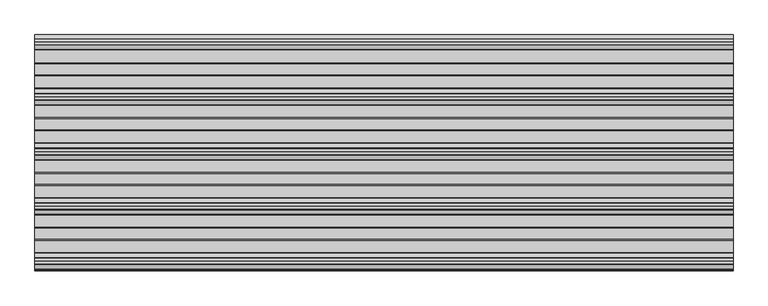
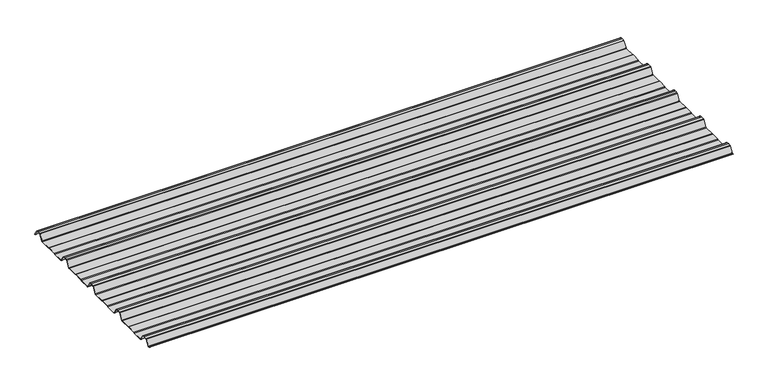
"""IFC4 building model written with IfcOpenShell, lengths in millimetres: beam geometry."""

from ifc_helpers import new_model, si_unit, point, frame, frame_2d, origin, place, context, project, spatial, polyline, circle_curve, trimmed, segment, composite_curve, outline, extrude, source, transform, mapped, element, save


def beam_935f3c2a(model_context):
    return source(origin(), model_context, "Body", "SweptSolid", [
        extrude(outline(composite_curve([segment(polyline([(-72.2377386, -25.7896475), (-76.3538889, -24.06703), (-113.6461111, -24.06703), (-117.7622614, -25.7896475), (-160.0, -25.7896475)]), True, "CONTINUOUS"), segment(trimmed(circle_curve(frame_2d((-159.2196788, -21.4509358)), 4.4083239), [point((-160.0, -25.7896475))], [point((-162.8209858, -23.9933574))], False, "CARTESIAN"), True, "CONTINUOUS"), segment(polyline([(-162.8209858, -23.9933574), (-178.3273257, -0.5940367)]), True, "CONTINUOUS"), segment(trimmed(circle_curve(frame_2d((-180.8929255, -2.3855242)), 3.1291741), [point((-178.3273257, -0.5940367))], [point((-179.9028031, 0.582874))], True, "CARTESIAN"), True, "CONTINUOUS"), segment(trimmed(circle_curve(frame_2d((-189.9940851, -29.8891871)), 32.0995402), [point((-179.9028031, 0.582874))], [point((-190.0, 2.2103525))], True, "CARTESIAN"), True, "CONTINUOUS"), segment(trimmed(circle_curve(frame_2d((-190.0059149, -29.8891871)), 32.0995402), [point((-190.0, 2.2103525))], [point((-200.0971969, 0.582874))], True, "CARTESIAN"), True, "CONTINUOUS"), segment(trimmed(circle_curve(frame_2d((-199.1070745, -2.3855242)), 3.1291741), [point((-200.0971969, 0.582874))], [point((-201.6726743, -0.5940367))], True, "CARTESIAN"), True, "CONTINUOUS"), segment(polyline([(-201.6726743, -0.5940367), (-217.1790142, -23.9933574)]), True, "CONTINUOUS"), segment(trimmed(circle_curve(frame_2d((-220.7803212, -21.4509358)), 4.4083239), [point((-217.1790142, -23.9933574))], [point((-220.0, -25.7896475))], False, "CARTESIAN"), True, "CONTINUOUS"), segment(polyline([(-220.0, -25.7896475), (-262.2377386, -25.7896475), (-266.3538889, -24.06703), (-303.6461111, -24.06703), (-307.7622614, -25.7896475), (-350.0, -25.7896475)]), True, "CONTINUOUS"), segment(trimmed(circle_curve(frame_2d((-349.2196788, -21.4509358)), 4.4083239), [point((-350.0, -25.7896475))], [point((-352.8209858, -23.9933574))], False, "CARTESIAN"), True, "CONTINUOUS"), segment(polyline([(-352.8209858, -23.9933574), (-368.3273257, -0.5940367)]), True, "CONTINUOUS"), segment(trimmed(circle_curve(frame_2d((-370.8929255, -2.3855242)), 3.1291741), [point((-368.3273257, -0.5940367))], [point((-369.9028031, 0.582874))], True, "CARTESIAN"), True, "CONTINUOUS"), segment(trimmed(circle_curve(frame_2d((-379.9940851, -29.8891871)), 32.0995402), [point((-369.9028031, 0.582874))], [point((-380.0, 2.2103525))], True, "CARTESIAN"), True, "CONTINUOUS"), segment(trimmed(circle_curve(frame_2d((-380.0059149, -29.8891871)), 32.0995402), [point((-380.0, 2.2103525))], [point((-390.0971969, 0.582874))], True, "CARTESIAN"), True, "CONTINUOUS"), segment(trimmed(circle_curve(frame_2d((-389.1070745, -2.3855242)), 3.1291741), [point((-390.0971969, 0.582874))], [point((-391.6726743, -0.5940367))], True, "CARTESIAN"), True, "CONTINUOUS"), segment(polyline([(-391.6726743, -0.5940367), (-407.1790142, -23.9933574)]), True, "CONTINUOUS"), segment(trimmed(circle_curve(frame_2d((-410.7803212, -21.4509358)), 4.4083239), [point((-407.1790142, -23.9933574))], [point((-410.0, -25.7896475))], False, "CARTESIAN"), True, "CONTINUOUS"), segment(polyline([(-410.0, -25.7896475), (-452.2377387, -25.7896475), (-456.3538889, -24.06703), (-493.6461111, -24.06703), (-497.7622614, -25.7896475), (-540.0, -25.7896475)]), True, "CONTINUOUS"), segment(trimmed(circle_curve(frame_2d((-539.2196788, -21.4509358)), 4.4083239), [point((-540.0, -25.7896475))], [point((-542.8209858, -23.9933574))], False, "CARTESIAN"), True, "CONTINUOUS"), segment(polyline([(-542.8209858, -23.9933574), (-558.3273257, -0.5940367)]), True, "CONTINUOUS"), segment(trimmed(circle_curve(frame_2d((-560.8929255, -2.3855242)), 3.1291741), [point((-558.3273257, -0.5940367))], [point((-559.9028031, 0.582874))], True, "CARTESIAN"), True, "CONTINUOUS"), segment(trimmed(circle_curve(frame_2d((-569.9940851, -29.8891871)), 32.0995402), [point((-559.9028031, 0.582874))], [point((-570.0, 2.2103525))], True, "CARTESIAN"), True, "CONTINUOUS"), segment(trimmed(circle_curve(frame_2d((-570.0059149, -29.8891871)), 32.0995402), [point((-570.0, 2.2103525))], [point((-580.0971969, 0.582874))], True, "CARTESIAN"), True, "CONTINUOUS"), segment(trimmed(circle_curve(frame_2d((-579.1070745, -2.3855242)), 3.1291741), [point((-580.0971969, 0.582874))], [point((-581.6726743, -0.5940367))], True, "CARTESIAN"), True, "CONTINUOUS"), segment(polyline([(-581.6726743, -0.5940367), (-597.1790142, -23.9933574)]), True, "CONTINUOUS"), segment(trimmed(circle_curve(frame_2d((-600.7803212, -21.4509358)), 4.4083239), [point((-597.1790142, -23.9933574))], [point((-600.0, -25.7896475))], False, "CARTESIAN"), True, "CONTINUOUS"), segment(polyline([(-600.0, -25.7896475), (-642.2377387, -25.7896475), (-646.3538889, -24.06703), (-683.6461111, -24.06703), (-687.7622614, -25.7896475), (-730.0, -25.7896475)]), True, "CONTINUOUS"), segment(trimmed(circle_curve(frame_2d((-729.2196788, -21.4509358)), 4.4083239), [point((-730.0, -25.7896475))], [point((-732.8209858, -23.9933574))], False, "CARTESIAN"), True, "CONTINUOUS"), segment(polyline([(-732.8209858, -23.9933574), (-748.3273257, -0.5940367)]), True, "CONTINUOUS"), segment(trimmed(circle_curve(frame_2d((-750.8929255, -2.3855242)), 3.1291741), [point((-748.3273257, -0.5940367))], [point((-749.9028031, 0.582874))], True, "CARTESIAN"), True, "CONTINUOUS"), segment(trimmed(circle_curve(frame_2d((-759.9940851, -29.8891871)), 32.0995402), [point((-749.9028031, 0.582874))], [point((-760.0, 2.2103525))], True, "CARTESIAN"), True, "CONTINUOUS"), segment(trimmed(circle_curve(frame_2d((-760.0059149, -29.8891871)), 32.0995402), [point((-760.0, 2.2103525))], [point((-770.0971969, 0.582874))], True, "CARTESIAN"), True, "CONTINUOUS"), segment(trimmed(circle_curve(frame_2d((-769.1070745, -2.3855242)), 3.1291741), [point((-770.0971969, 0.582874))], [point((-771.6726743, -0.5940367))], True, "CARTESIAN"), True, "CONTINUOUS"), segment(polyline([(-771.6726743, -0.5940367), (-785.8536479, -21.993358)]), True, "CONTINUOUS"), segment(trimmed(circle_curve(frame_2d((-789.4549545, -19.4509358)), 4.4083239), [point((-785.8536479, -21.993358))], [point((-788.6746333, -23.7896475))], False, "CARTESIAN"), True, "CONTINUOUS"), segment(polyline([(-788.6746333, -23.7896475), (-792.3232685, -23.7896475)]), True, "CONTINUOUS"), segment(trimmed(circle_curve(frame_2d((-792.3232685, -23.2896475)), 0.5), [point((-792.3232685, -23.7896475))], [point((-792.3232685, -22.7896475))], False, "CARTESIAN"), True, "CONTINUOUS"), segment(polyline([(-792.3232685, -22.7896475), (-788.769625, -22.7896475)]), True, "CONTINUOUS"), segment(trimmed(circle_curve(frame_2d((-789.4549545, -19.4509358)), 3.4083239), [point((-788.769625, -22.7896475))], [point((-786.6785605, -21.42788))], True, "CARTESIAN"), True, "CONTINUOUS"), segment(polyline([(-786.6785605, -21.42788), (-772.5, -0.0322)]), True, "CONTINUOUS"), segment(trimmed(circle_curve(frame_2d((-769.1070745, -2.3855242)), 4.1291741), [point((-772.5, -0.0322))], [point((-770.41253, 1.5318556))], False, "CARTESIAN"), True, "CONTINUOUS"), segment(trimmed(circle_curve(frame_2d((-760.0059149, -29.8891871)), 33.0995402), [point((-770.41253, 1.5318556))], [point((-760.0, 3.2103525))], False, "CARTESIAN"), True, "CONTINUOUS"), segment(trimmed(circle_curve(frame_2d((-759.9940851, -29.8891871)), 33.0995402), [point((-760.0, 3.2103525))], [point((-749.58747, 1.5318556))], False, "CARTESIAN"), True, "CONTINUOUS"), segment(trimmed(circle_curve(frame_2d((-750.8929255, -2.3855242)), 4.1291741), [point((-749.58747, 1.5318556))], [point((-747.5, -0.0322))], False, "CARTESIAN"), True, "CONTINUOUS"), segment(polyline([(-747.5, -0.0322), (-732.1223092, -23.2373872)]), True, "CONTINUOUS"), segment(trimmed(circle_curve(frame_2d((-729.2196788, -21.4509358)), 3.4083239), [point((-732.1223092, -23.2373872))], [point((-729.9050084, -24.7896475))], True, "CARTESIAN"), True, "CONTINUOUS"), segment(polyline([(-729.9050084, -24.7896475), (-687.9630742, -24.7896475), (-683.846924, -23.06703), (-646.1530761, -23.06703), (-642.0369258, -24.7896475), (-600.0949917, -24.7896475)]), True, "CONTINUOUS"), segment(trimmed(circle_curve(frame_2d((-600.7803212, -21.4509358)), 3.4083239), [point((-600.0949917, -24.7896475))], [point((-597.8776908, -23.2373872))], True, "CARTESIAN"), True, "CONTINUOUS"), segment(polyline([(-597.8776908, -23.2373872), (-582.5, -0.0322)]), True, "CONTINUOUS"), segment(trimmed(circle_curve(frame_2d((-579.1070745, -2.3855242)), 4.1291741), [point((-582.5, -0.0322))], [point((-580.41253, 1.5318556))], False, "CARTESIAN"), True, "CONTINUOUS"), segment(trimmed(circle_curve(frame_2d((-570.0059149, -29.8891871)), 33.0995402), [point((-580.41253, 1.5318556))], [point((-570.0, 3.2103525))], False, "CARTESIAN"), True, "CONTINUOUS"), segment(trimmed(circle_curve(frame_2d((-569.9940851, -29.8891871)), 33.0995402), [point((-570.0, 3.2103525))], [point((-559.58747, 1.5318556))], False, "CARTESIAN"), True, "CONTINUOUS"), segment(trimmed(circle_curve(frame_2d((-560.8929255, -2.3855242)), 4.1291741), [point((-559.58747, 1.5318556))], [point((-557.5, -0.0322))], False, "CARTESIAN"), True, "CONTINUOUS"), segment(polyline([(-557.5, -0.0322), (-542.1223092, -23.2373872)]), True, "CONTINUOUS"), segment(trimmed(circle_curve(frame_2d((-539.2196788, -21.4509358)), 3.4083239), [point((-542.1223092, -23.2373872))], [point((-539.9050084, -24.7896475))], True, "CARTESIAN"), True, "CONTINUOUS"), segment(polyline([(-539.9050084, -24.7896475), (-497.9630742, -24.7896475), (-493.846924, -23.06703), (-456.1530761, -23.06703), (-452.0369258, -24.7896475), (-410.0949917, -24.7896475)]), True, "CONTINUOUS"), segment(trimmed(circle_curve(frame_2d((-410.7803212, -21.4509358)), 3.4083239), [point((-410.0949917, -24.7896475))], [point((-407.8776908, -23.2373872))], True, "CARTESIAN"), True, "CONTINUOUS"), segment(polyline([(-407.8776908, -23.2373872), (-392.5, -0.0322)]), True, "CONTINUOUS"), segment(trimmed(circle_curve(frame_2d((-389.1070745, -2.3855242)), 4.1291741), [point((-392.5, -0.0322))], [point((-390.41253, 1.5318556))], False, "CARTESIAN"), True, "CONTINUOUS"), segment(trimmed(circle_curve(frame_2d((-380.0059149, -29.8891871)), 33.0995402), [point((-390.41253, 1.5318556))], [point((-380.0, 3.2103525))], False, "CARTESIAN"), True, "CONTINUOUS"), segment(trimmed(circle_curve(frame_2d((-379.9940851, -29.8891871)), 33.0995402), [point((-380.0, 3.2103525))], [point((-369.58747, 1.5318556))], False, "CARTESIAN"), True, "CONTINUOUS"), segment(trimmed(circle_curve(frame_2d((-370.8929255, -2.3855242)), 4.1291741), [point((-369.58747, 1.5318556))], [point((-367.5, -0.0322))], False, "CARTESIAN"), True, "CONTINUOUS"), segment(polyline([(-367.5, -0.0322), (-352.1223092, -23.2373872)]), True, "CONTINUOUS"), segment(trimmed(circle_curve(frame_2d((-349.2196788, -21.4509358)), 3.4083239), [point((-352.1223092, -23.2373872))], [point((-349.9050084, -24.7896475))], True, "CARTESIAN"), True, "CONTINUOUS"), segment(polyline([(-349.9050084, -24.7896475), (-307.9630742, -24.7896475), (-303.846924, -23.06703), (-266.153076, -23.06703), (-262.0369258, -24.7896475), (-220.0949917, -24.7896475)]), True, "CONTINUOUS"), segment(trimmed(circle_curve(frame_2d((-220.7803212, -21.4509358)), 3.4083239), [point((-220.0949917, -24.7896475))], [point((-217.8776908, -23.2373872))], True, "CARTESIAN"), True, "CONTINUOUS"), segment(polyline([(-217.8776908, -23.2373872), (-202.5, -0.0322)]), True, "CONTINUOUS"), segment(trimmed(circle_curve(frame_2d((-199.1070745, -2.3855242)), 4.1291741), [point((-202.5, -0.0322))], [point((-200.41253, 1.5318556))], False, "CARTESIAN"), True, "CONTINUOUS"), segment(trimmed(circle_curve(frame_2d((-190.0059149, -29.8891871)), 33.0995402), [point((-200.41253, 1.5318556))], [point((-190.0, 3.2103525))], False, "CARTESIAN"), True, "CONTINUOUS"), segment(trimmed(circle_curve(frame_2d((-189.9940851, -29.8891871)), 33.0995402), [point((-190.0, 3.2103525))], [point((-179.58747, 1.5318556))], False, "CARTESIAN"), True, "CONTINUOUS"), segment(trimmed(circle_curve(frame_2d((-180.8929255, -2.3855242)), 4.1291741), [point((-179.58747, 1.5318556))], [point((-177.5, -0.0322))], False, "CARTESIAN"), True, "CONTINUOUS"), segment(polyline([(-177.5, -0.0322), (-162.1223092, -23.2373872)]), True, "CONTINUOUS"), segment(trimmed(circle_curve(frame_2d((-159.2196788, -21.4509358)), 3.4083239), [point((-162.1223092, -23.2373872))], [point((-159.9050084, -24.7896475))], True, "CARTESIAN"), True, "CONTINUOUS"), segment(polyline([(-159.9050084, -24.7896475), (-117.9630742, -24.7896475), (-113.846924, -23.06703), (-76.153076, -23.06703), (-72.0369258, -24.7896475), (-27.6957008, -24.7896475)]), True, "CONTINUOUS"), segment(trimmed(circle_curve(frame_2d((-28.3810303, -21.4509358)), 3.4083239), [point((-27.6957008, -24.7896475))], [point((-25.6046359, -23.4278795))], True, "CARTESIAN"), True, "CONTINUOUS"), segment(polyline([(-25.6046359, -23.4278795), (-10.8390947, -1.146436)]), True, "CONTINUOUS"), segment(trimmed(circle_curve(frame_2d((-9.2408211, -2.2055853)), 1.9173616), [point((-10.8390947, -1.146436))], [point((-9.7828223, -0.366425))], False, "CARTESIAN"), True, "CONTINUOUS"), segment(trimmed(circle_curve(frame_2d((-0.0059149, -29.8891871)), 31.0995402), [point((-9.7828223, -0.366425))], [point((0.0, 1.2103525))], False, "CARTESIAN"), True, "CONTINUOUS"), segment(trimmed(circle_curve(frame_2d((0.0059149, -29.8891871)), 31.0995402), [point((0.0, 1.2103525))], [point((9.7828223, -0.366425))], False, "CARTESIAN"), True, "CONTINUOUS"), segment(trimmed(circle_curve(frame_2d((9.2408211, -2.2055853)), 1.9173616), [point((9.7828223, -0.366425))], [point((10.8390947, -1.146436))], False, "CARTESIAN"), True, "CONTINUOUS"), segment(polyline([(10.8390947, -1.146436), (25.1846039, -22.7940443)]), True, "CONTINUOUS"), segment(trimmed(circle_curve(frame_2d((24.7678141, -23.0702439)), 0.5), [point((25.1846039, -22.7940443))], [point((24.3510243, -23.3464436))], False, "CARTESIAN"), True, "CONTINUOUS"), segment(polyline([(24.3510243, -23.3464436), (10.1734573, -1.9522629)]), True, "CONTINUOUS"), segment(trimmed(circle_curve(frame_2d((8.6614124, -2.9542699)), 1.8139178), [point((10.1734573, -1.9522629))], [point((9.071517, -1.18732))], True, "CARTESIAN"), True, "CONTINUOUS"), segment(trimmed(circle_curve(frame_2d((0.0059149, -29.8891871)), 30.0995402), [point((9.071517, -1.18732))], [point((0.0, 0.2103525))], True, "CARTESIAN"), True, "CONTINUOUS"), segment(trimmed(circle_curve(frame_2d((-0.0059149, -29.8891871)), 30.0995402), [point((0.0, 0.2103525))], [point((-9.071517, -1.18732))], True, "CARTESIAN"), True, "CONTINUOUS"), segment(trimmed(circle_curve(frame_2d((-8.6614124, -2.9542699)), 1.8139178), [point((-9.071517, -1.18732))], [point((-10.1734573, -1.9522629))], True, "CARTESIAN"), True, "CONTINUOUS"), segment(polyline([(-10.1734573, -1.9522629), (-24.7797233, -23.9933574)]), True, "CONTINUOUS"), segment(trimmed(circle_curve(frame_2d((-28.3810303, -21.4509358)), 4.4083239), [point((-24.7797233, -23.9933574))], [point((-27.6007091, -25.7896475))], False, "CARTESIAN"), True, "CONTINUOUS"), segment(polyline([(-27.6007091, -25.7896475), (-72.2377386, -25.7896475)]), True, "CONTINUOUS")], self_intersect=False)), frame((-1208.051614, 0.0, 0.0), z_axis=(1.0, 0.0, 0.0), x_axis=(0.0, 1.0, 0.0)), (0.0, 0.0, 1.0), 2416.1032281),
    ])


if __name__ == "__main__":
    model = new_model("IFC4")
    model_context = context("Model", 3, world=origin())
    ifc_project = project(units=[si_unit("LENGTHUNIT", "METRE", prefix="MILLI")], contexts=[model_context])
    site = spatial("IfcSite", under=ifc_project)
    building = spatial("IfcBuilding", under=site)
    placement = place(None, origin())
    beam_shape = beam_935f3c2a(model_context)
    element("IfcBeam", 1, at=placement, inside=building, context=model_context, shape_type="MappedRepresentation", body=[
        mapped(beam_shape, transform((0.0, 0.0, 0.0), x_axis=(1.0, 0.0, 0.0), y_axis=(0.0, 1.0, 0.0), z_axis=(0.0, 0.0, 1.0))),
    ])
    save(model, "model.ifc")
